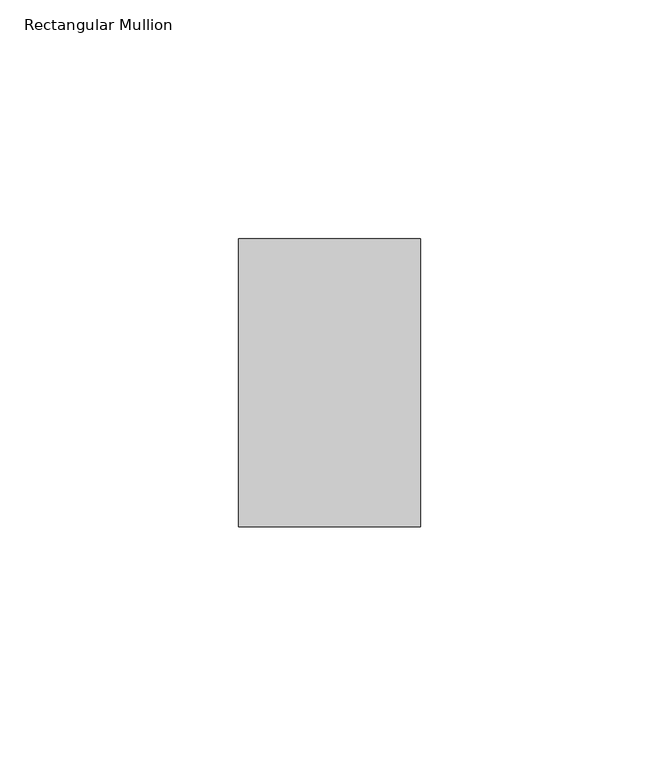
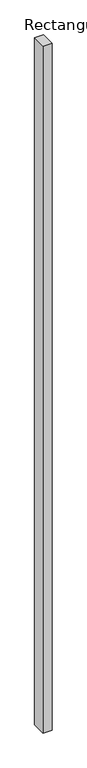
"""IFC4 building model written with IfcOpenShell, lengths in millimetres: member geometry, Rectangular Mullion."""

from ifc_helpers import new_model, si_unit, frame, origin, place, context, project, spatial, polyline, outline, extrude, source, transform, mapped, element, save


def rectangular_mullion_5e2dd3d8(model_context):
    return source(origin(), model_context, "Body", "SweptSolid", [
        extrude(outline(polyline([(-19.05, 50.8), (19.05, 50.8), (19.05, -9.525), (-19.05, -9.525), (-19.05, 50.8)])), frame((0.0, 0.0, -3048.0), z_axis=(0.0, 0.0, 1.0), x_axis=(1.0, 0.0, 0.0)), (0.0, 0.0, 1.0), 3048.0),
    ])


if __name__ == "__main__":
    model = new_model("IFC4")
    model_context = context("Model", 3, world=origin())
    ifc_project = project(units=[si_unit("LENGTHUNIT", "METRE", prefix="MILLI")], contexts=[model_context])
    site = spatial("IfcSite", under=ifc_project)
    building = spatial("IfcBuilding", under=site)
    placement = place(None, origin())
    rectangular_mullion_shape = rectangular_mullion_5e2dd3d8(model_context)
    element("IfcMember", 1, ObjectType="Rectangular Mullion", at=placement, inside=building, context=model_context, shape_type="MappedRepresentation", body=[
        mapped(rectangular_mullion_shape, transform((0.0, 0.0, 0.0), x_axis=(1.0, 0.0, 0.0), y_axis=(0.0, 1.0, 0.0), z_axis=(0.0, 0.0, 1.0))),
    ])
    save(model, "model.ifc")
